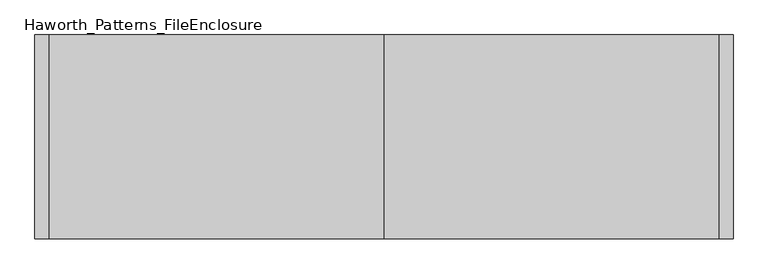
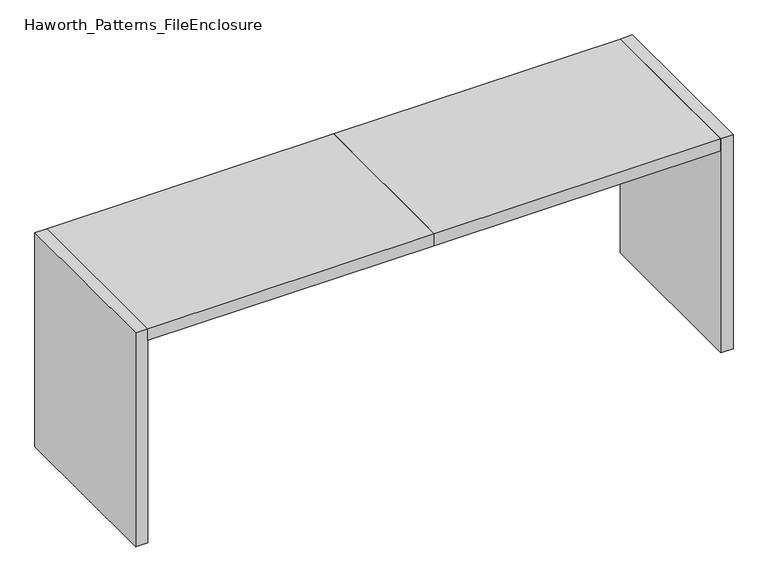
"""IFC4 building model written with IfcOpenShell, lengths in millimetres: furniture geometry, Haworth_Patterns_FileEnclosure."""

from ifc_helpers import new_model, si_unit, frame, origin, origin_with_axes, place, context, project, spatial, polyline, outline, extrude, source, transform, mapped, element, save


def haworth_patterns_fileenclosure_6ece89eb(model_context):
    return source(origin(), model_context, "Body", "SweptSolid", [
        extrude(outline(polyline([(0.0, 0.0), (1752.6, 0.0), (1752.6, -1066.8), (0.0, -1066.8), (0.0, 0.0)])), frame((0.0, 0.0, 1308.1), z_axis=(0.0, 0.0, 1.0), x_axis=(1.0, 0.0, 0.0)), (0.0, 0.0, 1.0), 76.2),
        extrude(outline(polyline([(0.0, 0.0), (0.0, -1066.8), (-1752.6, -1066.8), (-1752.6, 0.0), (0.0, 0.0)])), frame((0.0, 0.0, 1308.1), z_axis=(0.0, 0.0, 1.0), x_axis=(1.0, 0.0, 0.0)), (0.0, 0.0, 1.0), 76.2),
        extrude(outline(polyline([(1752.6, 0.0), (1828.8, 0.0), (1828.8, -1066.8), (1752.6, -1066.8), (1752.6, 0.0)])), origin_with_axes(), (0.0, 0.0, 1.0), 1384.3),
        extrude(outline(polyline([(-1752.6, 0.0), (-1752.6, -1066.8), (-1828.8, -1066.8), (-1828.8, 0.0), (-1752.6, 0.0)])), origin_with_axes(), (0.0, 0.0, 1.0), 1384.3),
    ])


if __name__ == "__main__":
    model = new_model("IFC4")
    model_context = context("Model", 3, world=origin())
    ifc_project = project(units=[si_unit("LENGTHUNIT", "METRE", prefix="MILLI")], contexts=[model_context])
    site = spatial("IfcSite", under=ifc_project)
    building = spatial("IfcBuilding", under=site)
    placement = place(None, origin())
    haworth_patterns_fileenclosure_shape = haworth_patterns_fileenclosure_6ece89eb(model_context)
    element("IfcFurniture", 1, ObjectType="Haworth_Patterns_FileEnclosure", at=placement, inside=building, context=model_context, shape_type="MappedRepresentation", body=[
        mapped(haworth_patterns_fileenclosure_shape, transform((0.0, 0.0, 0.0), x_axis=(1.0, 0.0, 0.0), y_axis=(0.0, 1.0, 0.0), z_axis=(0.0, 0.0, 1.0))),
    ])
    save(model, "model.ifc")
